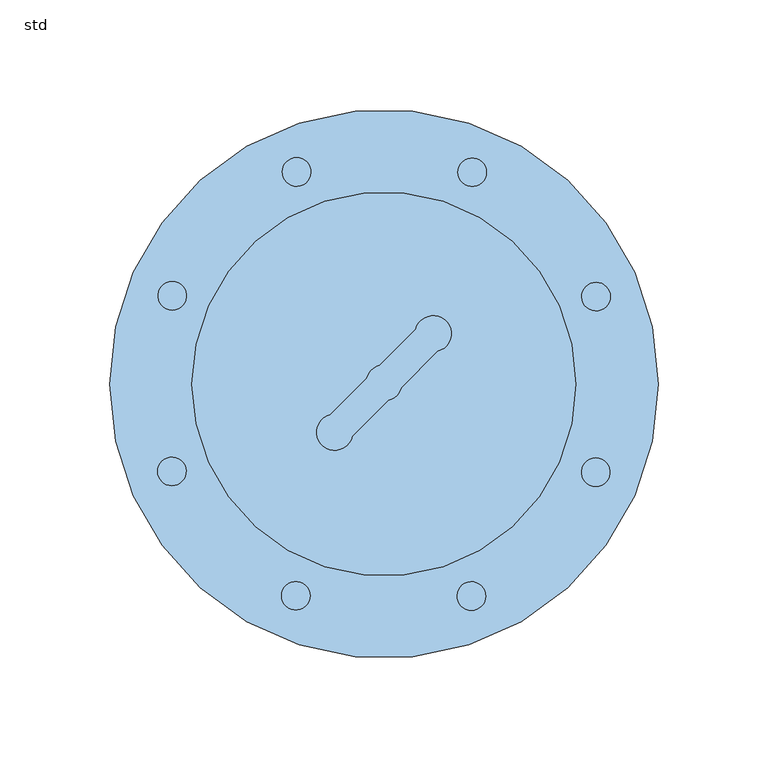
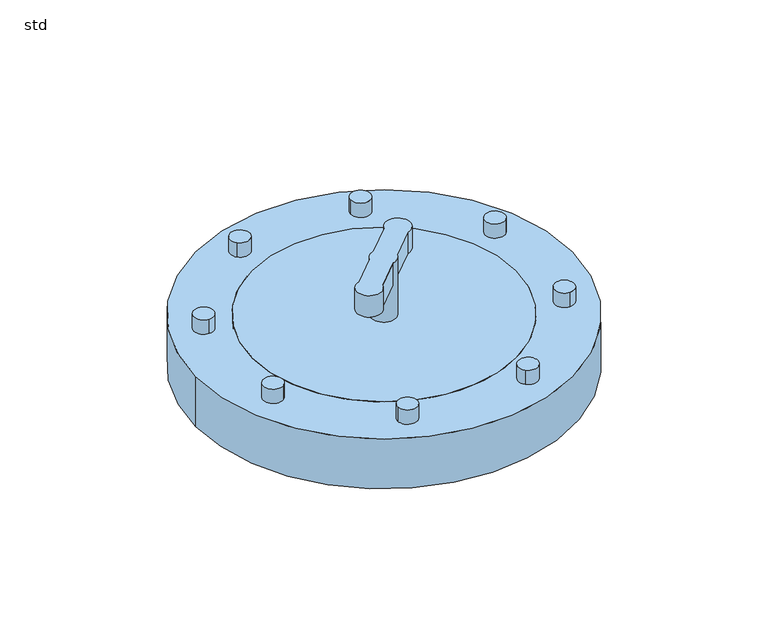
"""IFC4 building model written with IfcOpenShell, lengths in millimetres: window geometry, std."""

from ifc_helpers import new_model, si_unit, point, frame, frame_2d, origin, origin_2d, place, context, project, spatial, circle_curve, trimmed, segment, composite_curve, outline, extrude, source, transform, mapped, element, save
from ifc_brep_helpers import plane_surface, cylinder_surface, advanced_brep


def std_43f00bc0(model_context):
    return source(origin(), model_context, "Body", "SolidModel", [
        extrude(outline(composite_curve([segment(trimmed(circle_curve(frame_2d((-39.8304597, 96.6560503)), 6.502455), [point((-44.4283898, 92.0581202))], [point((-35.2325297, 101.2539803))], False, "CARTESIAN"), True, "CONTINUOUS"), segment(trimmed(circle_curve(frame_2d((-39.8304597, 96.6560503)), 6.502455), [point((-35.2325297, 101.2539803))], [point((-44.4283898, 92.0581202))], False, "CARTESIAN"), True, "CONTINUOUS")], self_intersect=False)), frame((0.0, 0.0, 10.0), z_axis=(0.0, 0.0, 1.0), x_axis=(1.0, 0.0, 0.0)), (0.0, 0.0, 1.0), 10.0),
        extrude(outline(composite_curve([segment(trimmed(circle_curve(frame_2d((-96.5105368, 40.1817604)), 6.502455), [point((-96.5105368, 33.6793054))], [point((-96.5105368, 46.6842154))], False, "CARTESIAN"), True, "CONTINUOUS"), segment(trimmed(circle_curve(frame_2d((-96.5105368, 40.1817604)), 6.502455), [point((-96.5105368, 46.6842154))], [point((-96.5105368, 33.6793054))], False, "CARTESIAN"), True, "CONTINUOUS")], self_intersect=False)), frame((0.0, 0.0, 10.0), z_axis=(0.0, 0.0, 1.0), x_axis=(1.0, 0.0, 0.0)), (0.0, 0.0, 1.0), 10.0),
        extrude(outline(composite_curve([segment(trimmed(circle_curve(frame_2d((-96.6560503, -39.8304597)), 6.502455), [point((-92.0581202, -44.4283898))], [point((-101.2539803, -35.2325297))], False, "CARTESIAN"), True, "CONTINUOUS"), segment(trimmed(circle_curve(frame_2d((-96.6560503, -39.8304597)), 6.502455), [point((-101.2539803, -35.2325297))], [point((-92.0581202, -44.4283898))], False, "CARTESIAN"), True, "CONTINUOUS")], self_intersect=False)), frame((0.0, 0.0, 10.0), z_axis=(0.0, 0.0, 1.0), x_axis=(1.0, 0.0, 0.0)), (0.0, 0.0, 1.0), 10.0),
        extrude(outline(composite_curve([segment(trimmed(circle_curve(frame_2d((-40.1817604, -96.5105368)), 6.502455), [point((-33.6793054, -96.5105368))], [point((-46.6842154, -96.5105368))], False, "CARTESIAN"), True, "CONTINUOUS"), segment(trimmed(circle_curve(frame_2d((-40.1817604, -96.5105368)), 6.502455), [point((-46.6842154, -96.5105368))], [point((-33.6793054, -96.5105368))], False, "CARTESIAN"), True, "CONTINUOUS")], self_intersect=False)), frame((0.0, 0.0, 10.0), z_axis=(0.0, 0.0, 1.0), x_axis=(1.0, 0.0, 0.0)), (0.0, 0.0, 1.0), 10.0),
        extrude(outline(composite_curve([segment(trimmed(circle_curve(frame_2d((39.8304597, -96.6560503)), 6.502455), [point((44.4283898, -92.0581202))], [point((35.2325297, -101.2539803))], False, "CARTESIAN"), True, "CONTINUOUS"), segment(trimmed(circle_curve(frame_2d((39.8304597, -96.6560503)), 6.502455), [point((35.2325297, -101.2539803))], [point((44.4283898, -92.0581202))], False, "CARTESIAN"), True, "CONTINUOUS")], self_intersect=False)), frame((0.0, 0.0, 10.0), z_axis=(0.0, 0.0, 1.0), x_axis=(1.0, 0.0, 0.0)), (0.0, 0.0, 1.0), 10.0),
        extrude(outline(composite_curve([segment(trimmed(circle_curve(frame_2d((96.5105368, -40.1817604)), 6.502455), [point((96.5105368, -33.6793054))], [point((96.5105368, -46.6842154))], False, "CARTESIAN"), True, "CONTINUOUS"), segment(trimmed(circle_curve(frame_2d((96.5105368, -40.1817604)), 6.502455), [point((96.5105368, -46.6842154))], [point((96.5105368, -33.6793054))], False, "CARTESIAN"), True, "CONTINUOUS")], self_intersect=False)), frame((0.0, 0.0, 10.0), z_axis=(0.0, 0.0, 1.0), x_axis=(1.0, 0.0, 0.0)), (0.0, 0.0, 1.0), 10.0),
        extrude(outline(composite_curve([segment(trimmed(circle_curve(frame_2d((96.6560503, 39.8304597)), 6.502455), [point((92.0581202, 44.4283898))], [point((101.2539803, 35.2325297))], False, "CARTESIAN"), True, "CONTINUOUS"), segment(trimmed(circle_curve(frame_2d((96.6560503, 39.8304597)), 6.502455), [point((101.2539803, 35.2325297))], [point((92.0581202, 44.4283898))], False, "CARTESIAN"), True, "CONTINUOUS")], self_intersect=False)), frame((0.0, 0.0, 10.0), z_axis=(0.0, 0.0, 1.0), x_axis=(1.0, 0.0, 0.0)), (0.0, 0.0, 1.0), 10.0),
        extrude(outline(composite_curve([segment(trimmed(circle_curve(frame_2d((40.1817604, 96.5105368)), 6.502455), [point((33.6793054, 96.5105368))], [point((46.6842154, 96.5105368))], False, "CARTESIAN"), True, "CONTINUOUS"), segment(trimmed(circle_curve(frame_2d((40.1817604, 96.5105368)), 6.502455), [point((46.6842154, 96.5105368))], [point((33.6793054, 96.5105368))], False, "CARTESIAN"), True, "CONTINUOUS")], self_intersect=False)), frame((0.0, 0.0, 10.0), z_axis=(0.0, 0.0, 1.0), x_axis=(1.0, 0.0, 0.0)), (0.0, 0.0, 1.0), 10.0),
        advanced_brep(
        [(1.907869, -7.4948118, 50.0), (7.9916259, -1.4110549, 50.0), (24.382405, 14.9797242, 50.0), (14.48291, 24.8792191, 50.0), (-1.907869, 8.48844, 50.0), (-7.9916259, 2.4046832, 50.0), (-24.382405, -13.9860959, 50.0), (-14.48291, -23.8855908, 50.0), (-8.2162065, 0.4968141, 10.0), (8.2162065, 0.4968141, 10.0), (8.2162065, 0.4968141, 35.0), (7.9916259, -1.4110549, 35.0), (1.907869, -7.4948118, 35.0), (-8.2162065, 0.4968141, 35.0), (-7.9916259, 2.4046832, 35.0), (-1.907869, 8.48844, 35.0), (14.48291, 24.8792191, 35.0), (24.382405, 14.9797242, 35.0), (-14.48291, -23.8855908, 35.0), (-24.382405, -13.9860959, 35.0)],
        [
            (0, 1, circle_curve(frame((0.0, 0.4968141, 50.0), z_axis=(0.0, 0.0, 1.0), x_axis=(1.0, 0.0, 0.0)), 8.2162065)),
            (1, 2),
            (2, 3, circle_curve(frame((22.4745359, 22.9713501, 50.0), z_axis=(0.0, 0.0, 1.0), x_axis=(1.0, 0.0, 0.0)), 8.2162065)),
            (3, 4),
            (4, 5, circle_curve(frame((0.0, 0.4968141, 50.0), z_axis=(0.0, 0.0, 1.0), x_axis=(1.0, 0.0, 0.0)), 8.2162065)),
            (5, 6),
            (6, 7, circle_curve(frame((-22.4745359, -21.9777218, 50.0), z_axis=(0.0, 0.0, 1.0), x_axis=(1.0, 0.0, 0.0)), 8.2162065)),
            (7, 0),
            (8, 9, circle_curve(frame((0.0, 0.4968141, 10.0), z_axis=(0.0, 0.0, -1.0), x_axis=(1.0, 0.0, 0.0)), 8.2162065)),
            (9, 8, circle_curve(frame((0.0, 0.4968141, 10.0), z_axis=(0.0, 0.0, -1.0), x_axis=(1.0, 0.0, 0.0)), 8.2162065)),
            (9, 10),
            (10, 11, circle_curve(frame((0.0, 0.4968141, 35.0), z_axis=(0.0, 0.0, -1.0), x_axis=(1.0, 0.0, 0.0)), 8.2162065)),
            (11, 1),
            (0, 12),
            (12, 13, circle_curve(frame((0.0, 0.4968141, 35.0), z_axis=(0.0, 0.0, -1.0), x_axis=(1.0, 0.0, 0.0)), 8.2162065)),
            (13, 8),
            (13, 14, circle_curve(frame((0.0, 0.4968141, 35.0), z_axis=(0.0, 0.0, -1.0), x_axis=(1.0, 0.0, 0.0)), 8.2162065)),
            (14, 5),
            (4, 15),
            (15, 10, circle_curve(frame((0.0, 0.4968141, 35.0), z_axis=(0.0, 0.0, -1.0), x_axis=(1.0, 0.0, 0.0)), 8.2162065)),
            (16, 17, circle_curve(frame((22.4745359, 22.9713501, 35.0), z_axis=(0.0, 0.0, -1.0), x_axis=(1.0, 0.0, 0.0)), 8.2162065)),
            (17, 11),
            (15, 16),
            (18, 19, circle_curve(frame((-22.4745359, -21.9777218, 35.0), z_axis=(0.0, 0.0, -1.0), x_axis=(1.0, 0.0, 0.0)), 8.2162065)),
            (19, 14),
            (12, 18),
            (3, 16),
            (19, 6),
            (18, 7),
            (17, 2),
        ],
        [
            plane_surface(frame((8.2162065, 0.4968141, 50.0), z_axis=(0.0, 0.0, 1.0), x_axis=(0.0, 1.0, 0.0))),
            plane_surface(frame((8.2162065, 0.4968141, 10.0), z_axis=(0.0, 0.0, -1.0), x_axis=(0.0, -1.0, 0.0))),
            cylinder_surface(frame((0.0, 0.4968141, 10.0), z_axis=(0.0, 0.0, 1.0), x_axis=(1.0, 0.0, 0.0)), 8.2162065),
            plane_surface(frame((14.48291, 24.8792191, 35.0), z_axis=(0.0, 0.0, -1.0), x_axis=(0.7071067811865477, 0.7071067811865474, 0.0))),
            plane_surface(frame((14.48291, 24.8792191, 50.0), z_axis=(-0.7071067811865474, 0.7071067811865477, 0.0), x_axis=(0.0, 0.0, -1.0))),
            cylinder_surface(frame((-22.4745359, -21.9777218, 35.0), z_axis=(0.0, 0.0, 1.0), x_axis=(1.0, 0.0, 0.0)), 8.2162065),
            plane_surface(frame((-14.48291, -23.8855908, 50.0), z_axis=(0.7071067811865472, -0.7071067811865479, 0.0), x_axis=(0.0, 0.0, -1.0))),
            cylinder_surface(frame((22.4745359, 22.9713501, 35.0), z_axis=(0.0, 0.0, 1.0), x_axis=(1.0, 0.0, 0.0)), 8.2162065),
        ],
        [
            (0, [[1, 2, 3, 4, 5, 6, 7, 8]]),
            (1, [[9, 10]]),
            (2, [[-10, 11, 12, 13, -1, 14, 15, 16]]),
            (2, [[-9, -16, 17, 18, -5, 19, 20, -11]]),
            (3, [[21, 22, -12, -20, 23]]),
            (3, [[24, 25, -17, -15, 26]]),
            (4, [[27, -23, -19, -4]]),
            (4, [[28, -6, -18, -25]]),
            (5, [[-7, -28, -24, 29]]),
            (6, [[-29, -26, -14, -8]]),
            (6, [[30, -2, -13, -22]]),
            (7, [[-3, -30, -21, -27]]),
        ],
    ),
        extrude(outline(composite_curve([segment(trimmed(circle_curve(origin_2d(), 87.5), [point((-87.5, 0.0))], [point((87.5, 0.0))], False, "CARTESIAN"), True, "CONTINUOUS"), segment(trimmed(circle_curve(origin_2d(), 87.5), [point((87.5, 0.0))], [point((-87.5, 0.0))], False, "CARTESIAN"), True, "CONTINUOUS")], self_intersect=False)), frame((0.0, 0.0, -25.0), z_axis=(0.0, 0.0, 1.0), x_axis=(1.0, 0.0, 0.0)), (0.0, 0.0, 1.0), 35.0),
        extrude(outline(composite_curve([segment(trimmed(circle_curve(origin_2d(), 125.0), [point((-125.0, 0.0))], [point((125.0, 0.0))], False, "CARTESIAN"), True, "CONTINUOUS"), segment(trimmed(circle_curve(origin_2d(), 125.0), [point((125.0, 0.0))], [point((-125.0, 0.0))], False, "CARTESIAN"), True, "CONTINUOUS")], self_intersect=False), holes=[composite_curve([segment(trimmed(circle_curve(origin_2d(), 87.5), [point((-87.5, 0.0))], [point((87.5, 0.0))], True, "CARTESIAN"), True, "CONTINUOUS"), segment(trimmed(circle_curve(origin_2d(), 87.5), [point((87.5, 0.0))], [point((-87.5, 0.0))], True, "CARTESIAN"), True, "CONTINUOUS")], self_intersect=False)]), frame((0.0, 0.0, -25.0), z_axis=(0.0, 0.0, 1.0), x_axis=(1.0, 0.0, 0.0)), (0.0, 0.0, 1.0), 35.0),
    ])


if __name__ == "__main__":
    model = new_model("IFC4")
    model_context = context("Model", 3, world=origin())
    ifc_project = project(units=[si_unit("LENGTHUNIT", "METRE", prefix="MILLI")], contexts=[model_context])
    site = spatial("IfcSite", under=ifc_project)
    building = spatial("IfcBuilding", under=site)
    placement = place(None, origin())
    std_shape = std_43f00bc0(model_context)
    element("IfcWindow", 1, ObjectType="std", at=placement, inside=building, context=model_context, shape_type="MappedRepresentation", body=[
        mapped(std_shape, transform((0.0, 0.0, 0.0), x_axis=(1.0, 0.0, 0.0), y_axis=(0.0, 1.0, 0.0), z_axis=(0.0, 0.0, 1.0))),
    ])
    save(model, "model.ifc")
